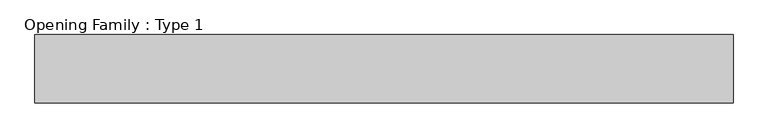
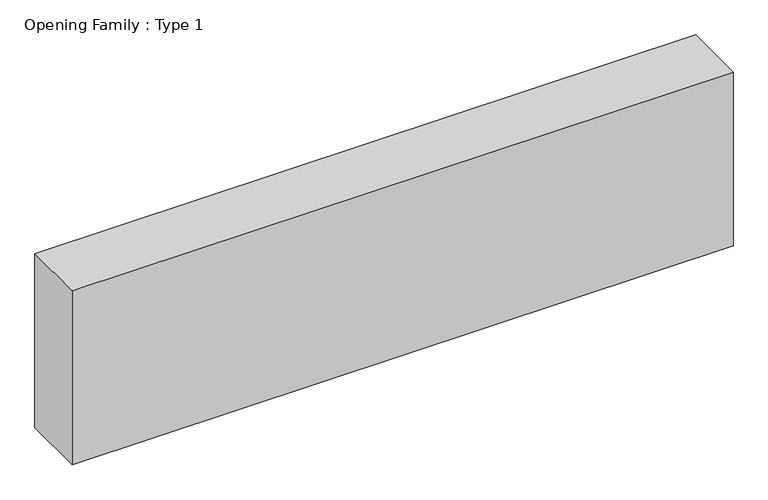
"""IFC4 building model written with IfcOpenShell, lengths in millimetres: proxy geometry, Opening Family : Type 1."""

from ifc_helpers import new_model, si_unit, frame, origin, place, context, project, spatial, polyline, outline, extrude, source, transform, mapped, element, save


def opening_family_type_1_3386a495(model_context):
    return source(origin(), model_context, "Body", "SweptSolid", [
        extrude(outline(polyline([(763.122917, -325.0), (-513.122917, -325.0), (-513.122917, -200.0), (763.122917, -200.0), (763.122917, -325.0)])), frame((0.0, 0.0, 600.0), z_axis=(0.0, 0.0, 1.0), x_axis=(1.0, 0.0, 0.0)), (0.0, 0.0, 1.0), 354.8),
    ])


if __name__ == "__main__":
    model = new_model("IFC4")
    model_context = context("Model", 3, world=origin())
    ifc_project = project(units=[si_unit("LENGTHUNIT", "METRE", prefix="MILLI")], contexts=[model_context])
    site = spatial("IfcSite", under=ifc_project)
    building = spatial("IfcBuilding", under=site)
    placement = place(None, origin())
    opening_family_type_1_shape = opening_family_type_1_3386a495(model_context)
    element("IfcBuildingElementProxy", 1, Name="Opening Family : Type 1", ObjectType="Opening Family : Type 1", at=placement, inside=building, context=model_context, shape_type="MappedRepresentation", body=[
        mapped(opening_family_type_1_shape, transform((0.0, 0.0, 0.0), x_axis=(1.0, 0.0, 0.0), y_axis=(0.0, 1.0, 0.0), z_axis=(0.0, 0.0, 1.0))),
    ])
    save(model, "model.ifc")
